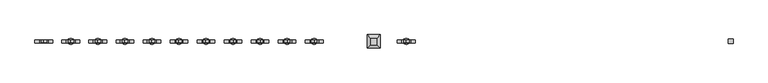
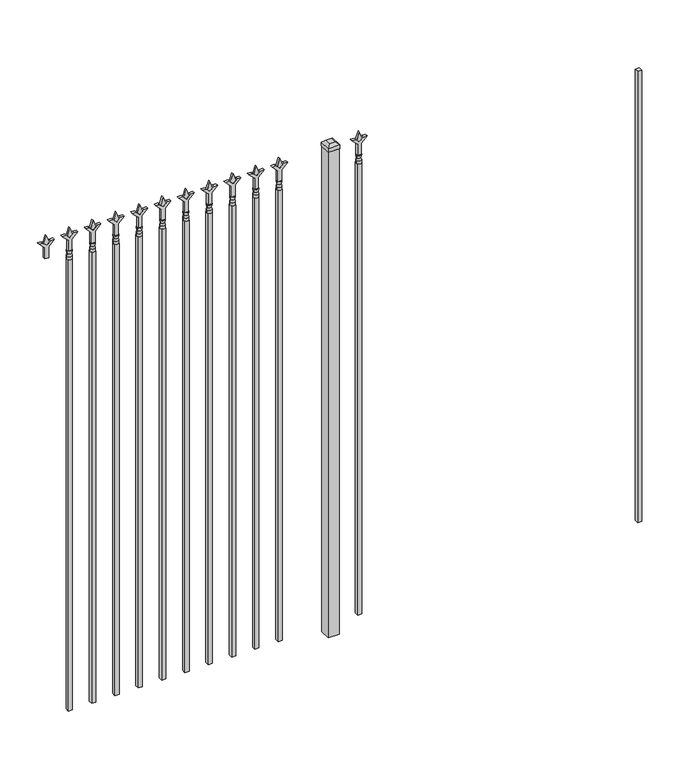
"""IFC4 building model written with IfcOpenShell, lengths in millimetres: railing geometry."""

from ifc_helpers import new_model, si_unit, frame, origin, origin_with_axes, place, context, project, spatial, polyline, circle_curve, outline, extrude, faceted_brep, source, transform, mapped, element, save
from ifc_brep_helpers import plane_surface, cylinder_surface, revolved_surface, advanced_brep


def railing_63ddd0e5(model_context):
    return source(origin(), model_context, "Body", "SolidModel", [
        extrude(outline(polyline([(-52241.005587, 3031.8679826), (-52221.955587, 3031.8679826), (-52221.955587, 3012.8179826), (-52241.005587, 3012.8179826), (-52241.005587, 3031.8679826)])), frame((0.0, 0.0, 50.8), z_axis=(0.0, 0.0, 1.0), x_axis=(1.0, 0.0, 0.0)), (0.0, 0.0, 1.0), 2235.2),
        extrude(outline(polyline([(2402.68125, -53530.849337), (2438.4, -53542.755587), (2402.68125, -53554.661837), (2390.775, -53542.755587), (2402.68125, -53530.849337)])), frame((0.0, 3017.5804826, 0.0), z_axis=(0.0, 1.0, 0.0), x_axis=(0.0, 0.0, 1.0)), (0.0, 0.0, 1.0), 9.525),
        extrude(outline(polyline([(2327.275, -53534.024337), (2381.5457378, -53534.024337), (2408.7355122, -53506.8345625), (2408.7355122, -53524.7950747), (2390.775, -53542.755587), (2408.7355122, -53560.7160992), (2408.7355122, -53578.6766114), (2381.5457378, -53551.486837), (2327.275, -53551.486837), (2327.275, -53534.024337)])), frame((0.0, 3015.9929826, 0.0), z_axis=(0.0, 1.0, 0.0), x_axis=(0.0, 0.0, 1.0)), (0.0, 0.0, 1.0), 12.7),
        advanced_brep(
        [(-53530.849337, 3022.3429826, 2298.7), (-53554.661837, 3022.3429826, 2298.7), (-53554.661837, 3022.3429826, 2286.0), (-53530.849337, 3022.3429826, 2286.0), (-53533.0546688, 3022.3429826, 2311.2070585), (-53552.4565051, 3022.3429826, 2311.2070585), (-53530.849337, 3022.3429826, 2327.275), (-53554.661837, 3022.3429826, 2327.275), (-53542.755587, 3022.3429826, 2327.275), (-53542.755587, 3022.3429826, 2286.0)],
        [
            (0, 1, circle_curve(frame((-53542.755587, 3022.3429826, 2298.7), z_axis=(0.0, 0.0, -1.0), x_axis=(-1.0, 0.0, 0.0)), 11.90625)),
            (1, 2),
            (2, 3, circle_curve(frame((-53542.755587, 3022.3429826, 2286.0), z_axis=(0.0, 0.0, 1.0), x_axis=(-1.0, 0.0, 0.0)), 11.90625)),
            (3, 0),
            (1, 0, circle_curve(frame((-53542.755587, 3022.3429826, 2298.7), z_axis=(0.0, 0.0, -1.0), x_axis=(-1.0, 0.0, 0.0)), 11.90625)),
            (3, 2, circle_curve(frame((-53542.755587, 3022.3429826, 2286.0), z_axis=(0.0, 0.0, 1.0), x_axis=(-1.0, 0.0, 0.0)), 11.90625)),
            (4, 5, circle_curve(frame((-53542.755587, 3022.3429826, 2311.2070585), z_axis=(0.0, 0.0, -1.0), x_axis=(-1.0, 0.0, 0.0)), 9.7009181)),
            (5, 1),
            (0, 4),
            (5, 4, circle_curve(frame((-53542.755587, 3022.3429826, 2311.2070585), z_axis=(0.0, 0.0, -1.0), x_axis=(-1.0, 0.0, 0.0)), 9.7009181)),
            (6, 7, circle_curve(frame((-53542.755587, 3022.3429826, 2327.275), z_axis=(0.0, 0.0, -1.0), x_axis=(-1.0, 0.0, 0.0)), 11.90625)),
            (7, 5),
            (4, 6),
            (7, 6, circle_curve(frame((-53542.755587, 3022.3429826, 2327.275), z_axis=(0.0, 0.0, -1.0), x_axis=(-1.0, 0.0, 0.0)), 11.90625)),
            (8, 7),
            (6, 8),
            (2, 9),
            (9, 3),
        ],
        [
            cylinder_surface(frame((-53542.755587, 3022.3429826, 2286.0), z_axis=(0.0, 0.0, 1.0), x_axis=(-1.0, 0.0, 0.0)), 11.90625),
            revolved_surface(polyline([(-53554.661837, 3022.3429826, 2298.7), (-53552.4565051, 3022.3429826, 2311.2070585)]), (-53542.755587, 3022.3429826, 2286.0), (0.0, 0.0, 1.0)),
            revolved_surface(polyline([(-53552.4565051, 3022.3429826, 2311.2070585), (-53554.661837, 3022.3429826, 2327.275)]), (-53542.755587, 3022.3429826, 2286.0), (0.0, 0.0, 1.0)),
            plane_surface(frame((-53542.755587, 3022.3429826, 2327.275), z_axis=(0.0, 0.0, 1.0), x_axis=(-1.0, 0.0, 0.0))),
            plane_surface(frame((-53542.755587, 3022.3429826, 2286.0), z_axis=(0.0, 0.0, -1.0), x_axis=(-1.0, 0.0, 0.0))),
        ],
        [
            (0, [[1, 2, 3, 4]]),
            (0, [[5, -4, 6, -2]]),
            (1, [[7, 8, -1, 9]]),
            (1, [[10, -9, -5, -8]]),
            (2, [[11, 12, -7, 13]]),
            (2, [[14, -13, -10, -12]]),
            (3, [[15, -11, 16]]),
            (3, [[-16, -14, -15]]),
            (4, [[-3, 17, 18]]),
            (4, [[-6, -18, -17]]),
        ],
    ),
        extrude(outline(polyline([(-53552.280587, 3031.8679826), (-53533.230587, 3031.8679826), (-53533.230587, 3012.8179826), (-53552.280587, 3012.8179826), (-53552.280587, 3031.8679826)])), frame((0.0, 0.0, 50.8), z_axis=(0.0, 0.0, 1.0), x_axis=(1.0, 0.0, 0.0)), (0.0, 0.0, 1.0), 2235.2),
        extrude(outline(polyline([(-53649.118087, 3047.7429826), (-53649.118087, 2996.9429826), (-53699.918087, 2996.9429826), (-53699.918087, 3047.7429826), (-53649.118087, 3047.7429826)])), origin_with_axes(), (0.0, 0.0, 1.0), 2406.65),
        faceted_brep([(-53701.505587, 3049.3304826, 2425.7), (-53701.505587, 3049.3304826, 2406.65), (-53701.505587, 2995.3554826, 2406.65), (-53701.505587, 2995.3554826, 2425.7), (-53688.805587, 3036.6304826, 2438.4), (-53688.805587, 3008.0554826, 2438.4), (-53647.530587, 2995.3554826, 2406.65), (-53647.530587, 2995.3554826, 2425.7), (-53660.230587, 3008.0554826, 2438.4), (-53647.530587, 3049.3304826, 2406.65), (-53647.530587, 3049.3304826, 2425.7), (-53660.230587, 3036.6304826, 2438.4)], [[[0, 1, 2, 3]], [[4, 0, 3, 5]], [[3, 2, 6, 7]], [[5, 3, 7, 8]], [[7, 6, 9, 10]], [[8, 7, 10, 11]], [[10, 9, 1, 0]], [[11, 10, 0, 4]], [[5, 8, 11, 4]], [[1, 9, 6, 2]]]),
        extrude(outline(polyline([(2402.68125, -53903.6472536), (2438.4, -53915.5535036), (2402.68125, -53927.4597536), (2390.775, -53915.5535036), (2402.68125, -53903.6472536)])), frame((0.0, 3017.5804826, 0.0), z_axis=(0.0, 1.0, 0.0), x_axis=(0.0, 0.0, 1.0)), (0.0, 0.0, 1.0), 9.525),
        extrude(outline(polyline([(2327.275, -53906.8222536), (2381.5457378, -53906.8222536), (2408.7355122, -53879.6324791), (2408.7355122, -53897.5929914), (2390.775, -53915.5535036), (2408.7355122, -53933.5140159), (2408.7355122, -53951.4745281), (2381.5457378, -53924.2847536), (2327.275, -53924.2847536), (2327.275, -53906.8222536)])), frame((0.0, 3015.9929826, 0.0), z_axis=(0.0, 1.0, 0.0), x_axis=(0.0, 0.0, 1.0)), (0.0, 0.0, 1.0), 12.7),
        advanced_brep(
        [(-53903.6472536, 3022.3429826, 2298.7), (-53927.4597536, 3022.3429826, 2298.7), (-53927.4597536, 3022.3429826, 2286.0), (-53903.6472536, 3022.3429826, 2286.0), (-53905.8525855, 3022.3429826, 2311.2070585), (-53925.2544218, 3022.3429826, 2311.2070585), (-53903.6472536, 3022.3429826, 2327.275), (-53927.4597536, 3022.3429826, 2327.275), (-53915.5535036, 3022.3429826, 2327.275), (-53915.5535036, 3022.3429826, 2286.0)],
        [
            (0, 1, circle_curve(frame((-53915.5535036, 3022.3429826, 2298.7), z_axis=(0.0, 0.0, -1.0), x_axis=(-1.0, 0.0, 0.0)), 11.90625)),
            (1, 2),
            (2, 3, circle_curve(frame((-53915.5535036, 3022.3429826, 2286.0), z_axis=(0.0, 0.0, 1.0), x_axis=(-1.0, 0.0, 0.0)), 11.90625)),
            (3, 0),
            (1, 0, circle_curve(frame((-53915.5535036, 3022.3429826, 2298.7), z_axis=(0.0, 0.0, -1.0), x_axis=(-1.0, 0.0, 0.0)), 11.90625)),
            (3, 2, circle_curve(frame((-53915.5535036, 3022.3429826, 2286.0), z_axis=(0.0, 0.0, 1.0), x_axis=(-1.0, 0.0, 0.0)), 11.90625)),
            (4, 5, circle_curve(frame((-53915.5535036, 3022.3429826, 2311.2070585), z_axis=(0.0, 0.0, -1.0), x_axis=(-1.0, 0.0, 0.0)), 9.7009181)),
            (5, 1),
            (0, 4),
            (5, 4, circle_curve(frame((-53915.5535036, 3022.3429826, 2311.2070585), z_axis=(0.0, 0.0, -1.0), x_axis=(-1.0, 0.0, 0.0)), 9.7009181)),
            (6, 7, circle_curve(frame((-53915.5535036, 3022.3429826, 2327.275), z_axis=(0.0, 0.0, -1.0), x_axis=(-1.0, 0.0, 0.0)), 11.90625)),
            (7, 5),
            (4, 6),
            (7, 6, circle_curve(frame((-53915.5535036, 3022.3429826, 2327.275), z_axis=(0.0, 0.0, -1.0), x_axis=(-1.0, 0.0, 0.0)), 11.90625)),
            (8, 7),
            (6, 8),
            (2, 9),
            (9, 3),
        ],
        [
            cylinder_surface(frame((-53915.5535036, 3022.3429826, 2286.0), z_axis=(0.0, 0.0, 1.0), x_axis=(-1.0, 0.0, 0.0)), 11.90625),
            revolved_surface(polyline([(-53927.4597536, 3022.3429826, 2298.7), (-53925.2544218, 3022.3429826, 2311.2070585)]), (-53915.5535036, 3022.3429826, 2286.0), (0.0, 0.0, 1.0)),
            revolved_surface(polyline([(-53925.2544218, 3022.3429826, 2311.2070585), (-53927.4597536, 3022.3429826, 2327.275)]), (-53915.5535036, 3022.3429826, 2286.0), (0.0, 0.0, 1.0)),
            plane_surface(frame((-53915.5535036, 3022.3429826, 2327.275), z_axis=(0.0, 0.0, 1.0), x_axis=(-1.0, 0.0, 0.0))),
            plane_surface(frame((-53915.5535036, 3022.3429826, 2286.0), z_axis=(0.0, 0.0, -1.0), x_axis=(-1.0, 0.0, 0.0))),
        ],
        [
            (0, [[1, 2, 3, 4]]),
            (0, [[5, -4, 6, -2]]),
            (1, [[7, 8, -1, 9]]),
            (1, [[10, -9, -5, -8]]),
            (2, [[11, 12, -7, 13]]),
            (2, [[14, -13, -10, -12]]),
            (3, [[15, -11, 16]]),
            (3, [[-16, -14, -15]]),
            (4, [[-3, 17, 18]]),
            (4, [[-6, -18, -17]]),
        ],
    ),
        extrude(outline(polyline([(-53925.0785036, 3031.8679826), (-53906.0285036, 3031.8679826), (-53906.0285036, 3012.8179826), (-53925.0785036, 3012.8179826), (-53925.0785036, 3031.8679826)])), frame((0.0, 0.0, 50.8), z_axis=(0.0, 0.0, 1.0), x_axis=(1.0, 0.0, 0.0)), (0.0, 0.0, 1.0), 2235.2),
        extrude(outline(polyline([(2402.68125, -54012.9201703), (2438.4, -54024.8264203), (2402.68125, -54036.7326703), (2390.775, -54024.8264203), (2402.68125, -54012.9201703)])), frame((0.0, 3017.5804826, 0.0), z_axis=(0.0, 1.0, 0.0), x_axis=(0.0, 0.0, 1.0)), (0.0, 0.0, 1.0), 9.525),
        extrude(outline(polyline([(2327.275, -54016.0951703), (2381.5457378, -54016.0951703), (2408.7355122, -53988.9053958), (2408.7355122, -54006.8659081), (2390.775, -54024.8264203), (2408.7355122, -54042.7869325), (2408.7355122, -54060.7474448), (2381.5457378, -54033.5576703), (2327.275, -54033.5576703), (2327.275, -54016.0951703)])), frame((0.0, 3015.9929826, 0.0), z_axis=(0.0, 1.0, 0.0), x_axis=(0.0, 0.0, 1.0)), (0.0, 0.0, 1.0), 12.7),
        advanced_brep(
        [(-54012.9201703, 3022.3429826, 2298.7), (-54036.7326703, 3022.3429826, 2298.7), (-54036.7326703, 3022.3429826, 2286.0), (-54012.9201703, 3022.3429826, 2286.0), (-54015.1255022, 3022.3429826, 2311.2070585), (-54034.5273384, 3022.3429826, 2311.2070585), (-54012.9201703, 3022.3429826, 2327.275), (-54036.7326703, 3022.3429826, 2327.275), (-54024.8264203, 3022.3429826, 2327.275), (-54024.8264203, 3022.3429826, 2286.0)],
        [
            (0, 1, circle_curve(frame((-54024.8264203, 3022.3429826, 2298.7), z_axis=(0.0, 0.0, -1.0), x_axis=(-1.0, 0.0, 0.0)), 11.90625)),
            (1, 2),
            (2, 3, circle_curve(frame((-54024.8264203, 3022.3429826, 2286.0), z_axis=(0.0, 0.0, 1.0), x_axis=(-1.0, 0.0, 0.0)), 11.90625)),
            (3, 0),
            (1, 0, circle_curve(frame((-54024.8264203, 3022.3429826, 2298.7), z_axis=(0.0, 0.0, -1.0), x_axis=(-1.0, 0.0, 0.0)), 11.90625)),
            (3, 2, circle_curve(frame((-54024.8264203, 3022.3429826, 2286.0), z_axis=(0.0, 0.0, 1.0), x_axis=(-1.0, 0.0, 0.0)), 11.90625)),
            (4, 5, circle_curve(frame((-54024.8264203, 3022.3429826, 2311.2070585), z_axis=(0.0, 0.0, -1.0), x_axis=(-1.0, 0.0, 0.0)), 9.7009181)),
            (5, 1),
            (0, 4),
            (5, 4, circle_curve(frame((-54024.8264203, 3022.3429826, 2311.2070585), z_axis=(0.0, 0.0, -1.0), x_axis=(-1.0, 0.0, 0.0)), 9.7009181)),
            (6, 7, circle_curve(frame((-54024.8264203, 3022.3429826, 2327.275), z_axis=(0.0, 0.0, -1.0), x_axis=(-1.0, 0.0, 0.0)), 11.90625)),
            (7, 5),
            (4, 6),
            (7, 6, circle_curve(frame((-54024.8264203, 3022.3429826, 2327.275), z_axis=(0.0, 0.0, -1.0), x_axis=(-1.0, 0.0, 0.0)), 11.90625)),
            (8, 7),
            (6, 8),
            (2, 9),
            (9, 3),
        ],
        [
            cylinder_surface(frame((-54024.8264203, 3022.3429826, 2286.0), z_axis=(0.0, 0.0, 1.0), x_axis=(-1.0, 0.0, 0.0)), 11.90625),
            revolved_surface(polyline([(-54036.7326703, 3022.3429826, 2298.7), (-54034.5273384, 3022.3429826, 2311.2070585)]), (-54024.8264203, 3022.3429826, 2286.0), (0.0, 0.0, 1.0)),
            revolved_surface(polyline([(-54034.5273384, 3022.3429826, 2311.2070585), (-54036.7326703, 3022.3429826, 2327.275)]), (-54024.8264203, 3022.3429826, 2286.0), (0.0, 0.0, 1.0)),
            plane_surface(frame((-54024.8264203, 3022.3429826, 2327.275), z_axis=(0.0, 0.0, 1.0), x_axis=(-1.0, 0.0, 0.0))),
            plane_surface(frame((-54024.8264203, 3022.3429826, 2286.0), z_axis=(0.0, 0.0, -1.0), x_axis=(-1.0, 0.0, 0.0))),
        ],
        [
            (0, [[1, 2, 3, 4]]),
            (0, [[5, -4, 6, -2]]),
            (1, [[7, 8, -1, 9]]),
            (1, [[10, -9, -5, -8]]),
            (2, [[11, 12, -7, 13]]),
            (2, [[14, -13, -10, -12]]),
            (3, [[15, -11, 16]]),
            (3, [[-16, -14, -15]]),
            (4, [[-3, 17, 18]]),
            (4, [[-6, -18, -17]]),
        ],
    ),
        extrude(outline(polyline([(-54034.3514203, 3031.8679826), (-54015.3014203, 3031.8679826), (-54015.3014203, 3012.8179826), (-54034.3514203, 3012.8179826), (-54034.3514203, 3031.8679826)])), frame((0.0, 0.0, 50.8), z_axis=(0.0, 0.0, 1.0), x_axis=(1.0, 0.0, 0.0)), (0.0, 0.0, 1.0), 2235.2),
        extrude(outline(polyline([(2402.68125, -54122.193087), (2438.4, -54134.099337), (2402.68125, -54146.005587), (2390.775, -54134.099337), (2402.68125, -54122.193087)])), frame((0.0, 3017.5804826, 0.0), z_axis=(0.0, 1.0, 0.0), x_axis=(0.0, 0.0, 1.0)), (0.0, 0.0, 1.0), 9.525),
        extrude(outline(polyline([(2327.275, -54125.368087), (2381.5457378, -54125.368087), (2408.7355122, -54098.1783125), (2408.7355122, -54116.1388247), (2390.775, -54134.099337), (2408.7355122, -54152.0598492), (2408.7355122, -54170.0203614), (2381.5457378, -54142.830587), (2327.275, -54142.830587), (2327.275, -54125.368087)])), frame((0.0, 3015.9929826, 0.0), z_axis=(0.0, 1.0, 0.0), x_axis=(0.0, 0.0, 1.0)), (0.0, 0.0, 1.0), 12.7),
        advanced_brep(
        [(-54122.193087, 3022.3429826, 2298.7), (-54146.005587, 3022.3429826, 2298.7), (-54146.005587, 3022.3429826, 2286.0), (-54122.193087, 3022.3429826, 2286.0), (-54124.3984188, 3022.3429826, 2311.2070585), (-54143.8002551, 3022.3429826, 2311.2070585), (-54122.193087, 3022.3429826, 2327.275), (-54146.005587, 3022.3429826, 2327.275), (-54134.099337, 3022.3429826, 2327.275), (-54134.099337, 3022.3429826, 2286.0)],
        [
            (0, 1, circle_curve(frame((-54134.099337, 3022.3429826, 2298.7), z_axis=(0.0, 0.0, -1.0), x_axis=(-1.0, 0.0, 0.0)), 11.90625)),
            (1, 2),
            (2, 3, circle_curve(frame((-54134.099337, 3022.3429826, 2286.0), z_axis=(0.0, 0.0, 1.0), x_axis=(-1.0, 0.0, 0.0)), 11.90625)),
            (3, 0),
            (1, 0, circle_curve(frame((-54134.099337, 3022.3429826, 2298.7), z_axis=(0.0, 0.0, -1.0), x_axis=(-1.0, 0.0, 0.0)), 11.90625)),
            (3, 2, circle_curve(frame((-54134.099337, 3022.3429826, 2286.0), z_axis=(0.0, 0.0, 1.0), x_axis=(-1.0, 0.0, 0.0)), 11.90625)),
            (4, 5, circle_curve(frame((-54134.099337, 3022.3429826, 2311.2070585), z_axis=(0.0, 0.0, -1.0), x_axis=(-1.0, 0.0, 0.0)), 9.7009181)),
            (5, 1),
            (0, 4),
            (5, 4, circle_curve(frame((-54134.099337, 3022.3429826, 2311.2070585), z_axis=(0.0, 0.0, -1.0), x_axis=(-1.0, 0.0, 0.0)), 9.7009181)),
            (6, 7, circle_curve(frame((-54134.099337, 3022.3429826, 2327.275), z_axis=(0.0, 0.0, -1.0), x_axis=(-1.0, 0.0, 0.0)), 11.90625)),
            (7, 5),
            (4, 6),
            (7, 6, circle_curve(frame((-54134.099337, 3022.3429826, 2327.275), z_axis=(0.0, 0.0, -1.0), x_axis=(-1.0, 0.0, 0.0)), 11.90625)),
            (8, 7),
            (6, 8),
            (2, 9),
            (9, 3),
        ],
        [
            cylinder_surface(frame((-54134.099337, 3022.3429826, 2286.0), z_axis=(0.0, 0.0, 1.0), x_axis=(-1.0, 0.0, 0.0)), 11.90625),
            revolved_surface(polyline([(-54146.005587, 3022.3429826, 2298.7), (-54143.8002551, 3022.3429826, 2311.2070585)]), (-54134.099337, 3022.3429826, 2286.0), (0.0, 0.0, 1.0)),
            revolved_surface(polyline([(-54143.8002551, 3022.3429826, 2311.2070585), (-54146.005587, 3022.3429826, 2327.275)]), (-54134.099337, 3022.3429826, 2286.0), (0.0, 0.0, 1.0)),
            plane_surface(frame((-54134.099337, 3022.3429826, 2327.275), z_axis=(0.0, 0.0, 1.0), x_axis=(-1.0, 0.0, 0.0))),
            plane_surface(frame((-54134.099337, 3022.3429826, 2286.0), z_axis=(0.0, 0.0, -1.0), x_axis=(-1.0, 0.0, 0.0))),
        ],
        [
            (0, [[1, 2, 3, 4]]),
            (0, [[5, -4, 6, -2]]),
            (1, [[7, 8, -1, 9]]),
            (1, [[10, -9, -5, -8]]),
            (2, [[11, 12, -7, 13]]),
            (2, [[14, -13, -10, -12]]),
            (3, [[15, -11, 16]]),
            (3, [[-16, -14, -15]]),
            (4, [[-3, 17, 18]]),
            (4, [[-6, -18, -17]]),
        ],
    ),
        extrude(outline(polyline([(-54143.624337, 3031.8679826), (-54124.574337, 3031.8679826), (-54124.574337, 3012.8179826), (-54143.624337, 3012.8179826), (-54143.624337, 3031.8679826)])), frame((0.0, 0.0, 50.8), z_axis=(0.0, 0.0, 1.0), x_axis=(1.0, 0.0, 0.0)), (0.0, 0.0, 1.0), 2235.2),
        extrude(outline(polyline([(2402.68125, -54231.4660036), (2438.4, -54243.3722536), (2402.68125, -54255.2785036), (2390.775, -54243.3722536), (2402.68125, -54231.4660036)])), frame((0.0, 3017.5804826, 0.0), z_axis=(0.0, 1.0, 0.0), x_axis=(0.0, 0.0, 1.0)), (0.0, 0.0, 1.0), 9.525),
        extrude(outline(polyline([(2327.275, -54234.6410036), (2381.5457378, -54234.6410036), (2408.7355122, -54207.4512291), (2408.7355122, -54225.4117414), (2390.775, -54243.3722536), (2408.7355122, -54261.3327659), (2408.7355122, -54279.2932781), (2381.5457378, -54252.1035036), (2327.275, -54252.1035036), (2327.275, -54234.6410036)])), frame((0.0, 3015.9929826, 0.0), z_axis=(0.0, 1.0, 0.0), x_axis=(0.0, 0.0, 1.0)), (0.0, 0.0, 1.0), 12.7),
        advanced_brep(
        [(-54231.4660036, 3022.3429826, 2298.7), (-54255.2785036, 3022.3429826, 2298.7), (-54255.2785036, 3022.3429826, 2286.0), (-54231.4660036, 3022.3429826, 2286.0), (-54233.6713355, 3022.3429826, 2311.2070585), (-54253.0731718, 3022.3429826, 2311.2070585), (-54231.4660036, 3022.3429826, 2327.275), (-54255.2785036, 3022.3429826, 2327.275), (-54243.3722536, 3022.3429826, 2327.275), (-54243.3722536, 3022.3429826, 2286.0)],
        [
            (0, 1, circle_curve(frame((-54243.3722536, 3022.3429826, 2298.7), z_axis=(0.0, 0.0, -1.0), x_axis=(-1.0, 0.0, 0.0)), 11.90625)),
            (1, 2),
            (2, 3, circle_curve(frame((-54243.3722536, 3022.3429826, 2286.0), z_axis=(0.0, 0.0, 1.0), x_axis=(-1.0, 0.0, 0.0)), 11.90625)),
            (3, 0),
            (1, 0, circle_curve(frame((-54243.3722536, 3022.3429826, 2298.7), z_axis=(0.0, 0.0, -1.0), x_axis=(-1.0, 0.0, 0.0)), 11.90625)),
            (3, 2, circle_curve(frame((-54243.3722536, 3022.3429826, 2286.0), z_axis=(0.0, 0.0, 1.0), x_axis=(-1.0, 0.0, 0.0)), 11.90625)),
            (4, 5, circle_curve(frame((-54243.3722536, 3022.3429826, 2311.2070585), z_axis=(0.0, 0.0, -1.0), x_axis=(-1.0, 0.0, 0.0)), 9.7009181)),
            (5, 1),
            (0, 4),
            (5, 4, circle_curve(frame((-54243.3722536, 3022.3429826, 2311.2070585), z_axis=(0.0, 0.0, -1.0), x_axis=(-1.0, 0.0, 0.0)), 9.7009181)),
            (6, 7, circle_curve(frame((-54243.3722536, 3022.3429826, 2327.275), z_axis=(0.0, 0.0, -1.0), x_axis=(-1.0, 0.0, 0.0)), 11.90625)),
            (7, 5),
            (4, 6),
            (7, 6, circle_curve(frame((-54243.3722536, 3022.3429826, 2327.275), z_axis=(0.0, 0.0, -1.0), x_axis=(-1.0, 0.0, 0.0)), 11.90625)),
            (8, 7),
            (6, 8),
            (2, 9),
            (9, 3),
        ],
        [
            cylinder_surface(frame((-54243.3722536, 3022.3429826, 2286.0), z_axis=(0.0, 0.0, 1.0), x_axis=(-1.0, 0.0, 0.0)), 11.90625),
            revolved_surface(polyline([(-54255.2785036, 3022.3429826, 2298.7), (-54253.0731718, 3022.3429826, 2311.2070585)]), (-54243.3722536, 3022.3429826, 2286.0), (0.0, 0.0, 1.0)),
            revolved_surface(polyline([(-54253.0731718, 3022.3429826, 2311.2070585), (-54255.2785036, 3022.3429826, 2327.275)]), (-54243.3722536, 3022.3429826, 2286.0), (0.0, 0.0, 1.0)),
            plane_surface(frame((-54243.3722536, 3022.3429826, 2327.275), z_axis=(0.0, 0.0, 1.0), x_axis=(-1.0, 0.0, 0.0))),
            plane_surface(frame((-54243.3722536, 3022.3429826, 2286.0), z_axis=(0.0, 0.0, -1.0), x_axis=(-1.0, 0.0, 0.0))),
        ],
        [
            (0, [[1, 2, 3, 4]]),
            (0, [[5, -4, 6, -2]]),
            (1, [[7, 8, -1, 9]]),
            (1, [[10, -9, -5, -8]]),
            (2, [[11, 12, -7, 13]]),
            (2, [[14, -13, -10, -12]]),
            (3, [[15, -11, 16]]),
            (3, [[-16, -14, -15]]),
            (4, [[-3, 17, 18]]),
            (4, [[-6, -18, -17]]),
        ],
    ),
        extrude(outline(polyline([(-54252.8972536, 3031.8679826), (-54233.8472536, 3031.8679826), (-54233.8472536, 3012.8179826), (-54252.8972536, 3012.8179826), (-54252.8972536, 3031.8679826)])), frame((0.0, 0.0, 50.8), z_axis=(0.0, 0.0, 1.0), x_axis=(1.0, 0.0, 0.0)), (0.0, 0.0, 1.0), 2235.2),
        extrude(outline(polyline([(2402.68125, -54340.7389203), (2438.4, -54352.6451703), (2402.68125, -54364.5514203), (2390.775, -54352.6451703), (2402.68125, -54340.7389203)])), frame((0.0, 3017.5804826, 0.0), z_axis=(0.0, 1.0, 0.0), x_axis=(0.0, 0.0, 1.0)), (0.0, 0.0, 1.0), 9.525),
        extrude(outline(polyline([(2327.275, -54343.9139203), (2381.5457378, -54343.9139203), (2408.7355122, -54316.7241458), (2408.7355122, -54334.6846581), (2390.775, -54352.6451703), (2408.7355122, -54370.6056825), (2408.7355122, -54388.5661948), (2381.5457378, -54361.3764203), (2327.275, -54361.3764203), (2327.275, -54343.9139203)])), frame((0.0, 3015.9929826, 0.0), z_axis=(0.0, 1.0, 0.0), x_axis=(0.0, 0.0, 1.0)), (0.0, 0.0, 1.0), 12.7),
        advanced_brep(
        [(-54340.7389203, 3022.3429826, 2298.7), (-54364.5514203, 3022.3429826, 2298.7), (-54364.5514203, 3022.3429826, 2286.0), (-54340.7389203, 3022.3429826, 2286.0), (-54342.9442522, 3022.3429826, 2311.2070585), (-54362.3460884, 3022.3429826, 2311.2070585), (-54340.7389203, 3022.3429826, 2327.275), (-54364.5514203, 3022.3429826, 2327.275), (-54352.6451703, 3022.3429826, 2327.275), (-54352.6451703, 3022.3429826, 2286.0)],
        [
            (0, 1, circle_curve(frame((-54352.6451703, 3022.3429826, 2298.7), z_axis=(0.0, 0.0, -1.0), x_axis=(-1.0, 0.0, 0.0)), 11.90625)),
            (1, 2),
            (2, 3, circle_curve(frame((-54352.6451703, 3022.3429826, 2286.0), z_axis=(0.0, 0.0, 1.0), x_axis=(-1.0, 0.0, 0.0)), 11.90625)),
            (3, 0),
            (1, 0, circle_curve(frame((-54352.6451703, 3022.3429826, 2298.7), z_axis=(0.0, 0.0, -1.0), x_axis=(-1.0, 0.0, 0.0)), 11.90625)),
            (3, 2, circle_curve(frame((-54352.6451703, 3022.3429826, 2286.0), z_axis=(0.0, 0.0, 1.0), x_axis=(-1.0, 0.0, 0.0)), 11.90625)),
            (4, 5, circle_curve(frame((-54352.6451703, 3022.3429826, 2311.2070585), z_axis=(0.0, 0.0, -1.0), x_axis=(-1.0, 0.0, 0.0)), 9.7009181)),
            (5, 1),
            (0, 4),
            (5, 4, circle_curve(frame((-54352.6451703, 3022.3429826, 2311.2070585), z_axis=(0.0, 0.0, -1.0), x_axis=(-1.0, 0.0, 0.0)), 9.7009181)),
            (6, 7, circle_curve(frame((-54352.6451703, 3022.3429826, 2327.275), z_axis=(0.0, 0.0, -1.0), x_axis=(-1.0, 0.0, 0.0)), 11.90625)),
            (7, 5),
            (4, 6),
            (7, 6, circle_curve(frame((-54352.6451703, 3022.3429826, 2327.275), z_axis=(0.0, 0.0, -1.0), x_axis=(-1.0, 0.0, 0.0)), 11.90625)),
            (8, 7),
            (6, 8),
            (2, 9),
            (9, 3),
        ],
        [
            cylinder_surface(frame((-54352.6451703, 3022.3429826, 2286.0), z_axis=(0.0, 0.0, 1.0), x_axis=(-1.0, 0.0, 0.0)), 11.90625),
            revolved_surface(polyline([(-54364.5514203, 3022.3429826, 2298.7), (-54362.3460884, 3022.3429826, 2311.2070585)]), (-54352.6451703, 3022.3429826, 2286.0), (0.0, 0.0, 1.0)),
            revolved_surface(polyline([(-54362.3460884, 3022.3429826, 2311.2070585), (-54364.5514203, 3022.3429826, 2327.275)]), (-54352.6451703, 3022.3429826, 2286.0), (0.0, 0.0, 1.0)),
            plane_surface(frame((-54352.6451703, 3022.3429826, 2327.275), z_axis=(0.0, 0.0, 1.0), x_axis=(-1.0, 0.0, 0.0))),
            plane_surface(frame((-54352.6451703, 3022.3429826, 2286.0), z_axis=(0.0, 0.0, -1.0), x_axis=(-1.0, 0.0, 0.0))),
        ],
        [
            (0, [[1, 2, 3, 4]]),
            (0, [[5, -4, 6, -2]]),
            (1, [[7, 8, -1, 9]]),
            (1, [[10, -9, -5, -8]]),
            (2, [[11, 12, -7, 13]]),
            (2, [[14, -13, -10, -12]]),
            (3, [[15, -11, 16]]),
            (3, [[-16, -14, -15]]),
            (4, [[-3, 17, 18]]),
            (4, [[-6, -18, -17]]),
        ],
    ),
        extrude(outline(polyline([(-54362.1701703, 3031.8679826), (-54343.1201703, 3031.8679826), (-54343.1201703, 3012.8179826), (-54362.1701703, 3012.8179826), (-54362.1701703, 3031.8679826)])), frame((0.0, 0.0, 50.8), z_axis=(0.0, 0.0, 1.0), x_axis=(1.0, 0.0, 0.0)), (0.0, 0.0, 1.0), 2235.2),
        extrude(outline(polyline([(2402.68125, -54450.011837), (2438.4, -54461.918087), (2402.68125, -54473.824337), (2390.775, -54461.918087), (2402.68125, -54450.011837)])), frame((0.0, 3017.5804826, 0.0), z_axis=(0.0, 1.0, 0.0), x_axis=(0.0, 0.0, 1.0)), (0.0, 0.0, 1.0), 9.525),
        extrude(outline(polyline([(2327.275, -54453.186837), (2381.5457378, -54453.186837), (2408.7355122, -54425.9970625), (2408.7355122, -54443.9575747), (2390.775, -54461.918087), (2408.7355122, -54479.8785992), (2408.7355122, -54497.8391114), (2381.5457378, -54470.649337), (2327.275, -54470.649337), (2327.275, -54453.186837)])), frame((0.0, 3015.9929826, 0.0), z_axis=(0.0, 1.0, 0.0), x_axis=(0.0, 0.0, 1.0)), (0.0, 0.0, 1.0), 12.7),
        advanced_brep(
        [(-54450.011837, 3022.3429826, 2298.7), (-54473.824337, 3022.3429826, 2298.7), (-54473.824337, 3022.3429826, 2286.0), (-54450.011837, 3022.3429826, 2286.0), (-54452.2171688, 3022.3429826, 2311.2070585), (-54471.6190051, 3022.3429826, 2311.2070585), (-54450.011837, 3022.3429826, 2327.275), (-54473.824337, 3022.3429826, 2327.275), (-54461.918087, 3022.3429826, 2327.275), (-54461.918087, 3022.3429826, 2286.0)],
        [
            (0, 1, circle_curve(frame((-54461.918087, 3022.3429826, 2298.7), z_axis=(0.0, 0.0, -1.0), x_axis=(-1.0, 0.0, 0.0)), 11.90625)),
            (1, 2),
            (2, 3, circle_curve(frame((-54461.918087, 3022.3429826, 2286.0), z_axis=(0.0, 0.0, 1.0), x_axis=(-1.0, 0.0, 0.0)), 11.90625)),
            (3, 0),
            (1, 0, circle_curve(frame((-54461.918087, 3022.3429826, 2298.7), z_axis=(0.0, 0.0, -1.0), x_axis=(-1.0, 0.0, 0.0)), 11.90625)),
            (3, 2, circle_curve(frame((-54461.918087, 3022.3429826, 2286.0), z_axis=(0.0, 0.0, 1.0), x_axis=(-1.0, 0.0, 0.0)), 11.90625)),
            (4, 5, circle_curve(frame((-54461.918087, 3022.3429826, 2311.2070585), z_axis=(0.0, 0.0, -1.0), x_axis=(-1.0, 0.0, 0.0)), 9.7009181)),
            (5, 1),
            (0, 4),
            (5, 4, circle_curve(frame((-54461.918087, 3022.3429826, 2311.2070585), z_axis=(0.0, 0.0, -1.0), x_axis=(-1.0, 0.0, 0.0)), 9.7009181)),
            (6, 7, circle_curve(frame((-54461.918087, 3022.3429826, 2327.275), z_axis=(0.0, 0.0, -1.0), x_axis=(-1.0, 0.0, 0.0)), 11.90625)),
            (7, 5),
            (4, 6),
            (7, 6, circle_curve(frame((-54461.918087, 3022.3429826, 2327.275), z_axis=(0.0, 0.0, -1.0), x_axis=(-1.0, 0.0, 0.0)), 11.90625)),
            (8, 7),
            (6, 8),
            (2, 9),
            (9, 3),
        ],
        [
            cylinder_surface(frame((-54461.918087, 3022.3429826, 2286.0), z_axis=(0.0, 0.0, 1.0), x_axis=(-1.0, 0.0, 0.0)), 11.90625),
            revolved_surface(polyline([(-54473.824337, 3022.3429826, 2298.7), (-54471.6190051, 3022.3429826, 2311.2070585)]), (-54461.918087, 3022.3429826, 2286.0), (0.0, 0.0, 1.0)),
            revolved_surface(polyline([(-54471.6190051, 3022.3429826, 2311.2070585), (-54473.824337, 3022.3429826, 2327.275)]), (-54461.918087, 3022.3429826, 2286.0), (0.0, 0.0, 1.0)),
            plane_surface(frame((-54461.918087, 3022.3429826, 2327.275), z_axis=(0.0, 0.0, 1.0), x_axis=(-1.0, 0.0, 0.0))),
            plane_surface(frame((-54461.918087, 3022.3429826, 2286.0), z_axis=(0.0, 0.0, -1.0), x_axis=(-1.0, 0.0, 0.0))),
        ],
        [
            (0, [[1, 2, 3, 4]]),
            (0, [[5, -4, 6, -2]]),
            (1, [[7, 8, -1, 9]]),
            (1, [[10, -9, -5, -8]]),
            (2, [[11, 12, -7, 13]]),
            (2, [[14, -13, -10, -12]]),
            (3, [[15, -11, 16]]),
            (3, [[-16, -14, -15]]),
            (4, [[-3, 17, 18]]),
            (4, [[-6, -18, -17]]),
        ],
    ),
        extrude(outline(polyline([(-54471.443087, 3031.8679826), (-54452.393087, 3031.8679826), (-54452.393087, 3012.8179826), (-54471.443087, 3012.8179826), (-54471.443087, 3031.8679826)])), frame((0.0, 0.0, 50.8), z_axis=(0.0, 0.0, 1.0), x_axis=(1.0, 0.0, 0.0)), (0.0, 0.0, 1.0), 2235.2),
        extrude(outline(polyline([(2402.68125, -54559.2847536), (2438.4, -54571.1910036), (2402.68125, -54583.0972536), (2390.775, -54571.1910036), (2402.68125, -54559.2847536)])), frame((0.0, 3017.5804826, 0.0), z_axis=(0.0, 1.0, 0.0), x_axis=(0.0, 0.0, 1.0)), (0.0, 0.0, 1.0), 9.525),
        extrude(outline(polyline([(2327.275, -54562.4597536), (2381.5457378, -54562.4597536), (2408.7355122, -54535.2699791), (2408.7355122, -54553.2304914), (2390.775, -54571.1910036), (2408.7355122, -54589.1515159), (2408.7355122, -54607.1120281), (2381.5457378, -54579.9222536), (2327.275, -54579.9222536), (2327.275, -54562.4597536)])), frame((0.0, 3015.9929826, 0.0), z_axis=(0.0, 1.0, 0.0), x_axis=(0.0, 0.0, 1.0)), (0.0, 0.0, 1.0), 12.7),
        advanced_brep(
        [(-54559.2847536, 3022.3429826, 2298.7), (-54583.0972536, 3022.3429826, 2298.7), (-54583.0972536, 3022.3429826, 2286.0), (-54559.2847536, 3022.3429826, 2286.0), (-54561.4900855, 3022.3429826, 2311.2070585), (-54580.8919218, 3022.3429826, 2311.2070585), (-54559.2847536, 3022.3429826, 2327.275), (-54583.0972536, 3022.3429826, 2327.275), (-54571.1910036, 3022.3429826, 2327.275), (-54571.1910036, 3022.3429826, 2286.0)],
        [
            (0, 1, circle_curve(frame((-54571.1910036, 3022.3429826, 2298.7), z_axis=(0.0, 0.0, -1.0), x_axis=(-1.0, 0.0, 0.0)), 11.90625)),
            (1, 2),
            (2, 3, circle_curve(frame((-54571.1910036, 3022.3429826, 2286.0), z_axis=(0.0, 0.0, 1.0), x_axis=(-1.0, 0.0, 0.0)), 11.90625)),
            (3, 0),
            (1, 0, circle_curve(frame((-54571.1910036, 3022.3429826, 2298.7), z_axis=(0.0, 0.0, -1.0), x_axis=(-1.0, 0.0, 0.0)), 11.90625)),
            (3, 2, circle_curve(frame((-54571.1910036, 3022.3429826, 2286.0), z_axis=(0.0, 0.0, 1.0), x_axis=(-1.0, 0.0, 0.0)), 11.90625)),
            (4, 5, circle_curve(frame((-54571.1910036, 3022.3429826, 2311.2070585), z_axis=(0.0, 0.0, -1.0), x_axis=(-1.0, 0.0, 0.0)), 9.7009181)),
            (5, 1),
            (0, 4),
            (5, 4, circle_curve(frame((-54571.1910036, 3022.3429826, 2311.2070585), z_axis=(0.0, 0.0, -1.0), x_axis=(-1.0, 0.0, 0.0)), 9.7009181)),
            (6, 7, circle_curve(frame((-54571.1910036, 3022.3429826, 2327.275), z_axis=(0.0, 0.0, -1.0), x_axis=(-1.0, 0.0, 0.0)), 11.90625)),
            (7, 5),
            (4, 6),
            (7, 6, circle_curve(frame((-54571.1910036, 3022.3429826, 2327.275), z_axis=(0.0, 0.0, -1.0), x_axis=(-1.0, 0.0, 0.0)), 11.90625)),
            (8, 7),
            (6, 8),
            (2, 9),
            (9, 3),
        ],
        [
            cylinder_surface(frame((-54571.1910036, 3022.3429826, 2286.0), z_axis=(0.0, 0.0, 1.0), x_axis=(-1.0, 0.0, 0.0)), 11.90625),
            revolved_surface(polyline([(-54583.0972536, 3022.3429826, 2298.7), (-54580.8919218, 3022.3429826, 2311.2070585)]), (-54571.1910036, 3022.3429826, 2286.0), (0.0, 0.0, 1.0)),
            revolved_surface(polyline([(-54580.8919218, 3022.3429826, 2311.2070585), (-54583.0972536, 3022.3429826, 2327.275)]), (-54571.1910036, 3022.3429826, 2286.0), (0.0, 0.0, 1.0)),
            plane_surface(frame((-54571.1910036, 3022.3429826, 2327.275), z_axis=(0.0, 0.0, 1.0), x_axis=(-1.0, 0.0, 0.0))),
            plane_surface(frame((-54571.1910036, 3022.3429826, 2286.0), z_axis=(0.0, 0.0, -1.0), x_axis=(-1.0, 0.0, 0.0))),
        ],
        [
            (0, [[1, 2, 3, 4]]),
            (0, [[5, -4, 6, -2]]),
            (1, [[7, 8, -1, 9]]),
            (1, [[10, -9, -5, -8]]),
            (2, [[11, 12, -7, 13]]),
            (2, [[14, -13, -10, -12]]),
            (3, [[15, -11, 16]]),
            (3, [[-16, -14, -15]]),
            (4, [[-3, 17, 18]]),
            (4, [[-6, -18, -17]]),
        ],
    ),
        extrude(outline(polyline([(-54580.7160036, 3031.8679826), (-54561.6660036, 3031.8679826), (-54561.6660036, 3012.8179826), (-54580.7160036, 3012.8179826), (-54580.7160036, 3031.8679826)])), frame((0.0, 0.0, 50.8), z_axis=(0.0, 0.0, 1.0), x_axis=(1.0, 0.0, 0.0)), (0.0, 0.0, 1.0), 2235.2),
        extrude(outline(polyline([(2402.68125, -54668.5576703), (2438.4, -54680.4639203), (2402.68125, -54692.3701703), (2390.775, -54680.4639203), (2402.68125, -54668.5576703)])), frame((0.0, 3017.5804826, 0.0), z_axis=(0.0, 1.0, 0.0), x_axis=(0.0, 0.0, 1.0)), (0.0, 0.0, 1.0), 9.525),
        extrude(outline(polyline([(2327.275, -54671.7326703), (2381.5457378, -54671.7326703), (2408.7355122, -54644.5428958), (2408.7355122, -54662.5034081), (2390.775, -54680.4639203), (2408.7355122, -54698.4244325), (2408.7355122, -54716.3849448), (2381.5457378, -54689.1951703), (2327.275, -54689.1951703), (2327.275, -54671.7326703)])), frame((0.0, 3015.9929826, 0.0), z_axis=(0.0, 1.0, 0.0), x_axis=(0.0, 0.0, 1.0)), (0.0, 0.0, 1.0), 12.7),
        advanced_brep(
        [(-54668.5576703, 3022.3429826, 2298.7), (-54692.3701703, 3022.3429826, 2298.7), (-54692.3701703, 3022.3429826, 2286.0), (-54668.5576703, 3022.3429826, 2286.0), (-54670.7630022, 3022.3429826, 2311.2070585), (-54690.1648384, 3022.3429826, 2311.2070585), (-54668.5576703, 3022.3429826, 2327.275), (-54692.3701703, 3022.3429826, 2327.275), (-54680.4639203, 3022.3429826, 2327.275), (-54680.4639203, 3022.3429826, 2286.0)],
        [
            (0, 1, circle_curve(frame((-54680.4639203, 3022.3429826, 2298.7), z_axis=(0.0, 0.0, -1.0), x_axis=(-1.0, 0.0, 0.0)), 11.90625)),
            (1, 2),
            (2, 3, circle_curve(frame((-54680.4639203, 3022.3429826, 2286.0), z_axis=(0.0, 0.0, 1.0), x_axis=(-1.0, 0.0, 0.0)), 11.90625)),
            (3, 0),
            (1, 0, circle_curve(frame((-54680.4639203, 3022.3429826, 2298.7), z_axis=(0.0, 0.0, -1.0), x_axis=(-1.0, 0.0, 0.0)), 11.90625)),
            (3, 2, circle_curve(frame((-54680.4639203, 3022.3429826, 2286.0), z_axis=(0.0, 0.0, 1.0), x_axis=(-1.0, 0.0, 0.0)), 11.90625)),
            (4, 5, circle_curve(frame((-54680.4639203, 3022.3429826, 2311.2070585), z_axis=(0.0, 0.0, -1.0), x_axis=(-1.0, 0.0, 0.0)), 9.7009181)),
            (5, 1),
            (0, 4),
            (5, 4, circle_curve(frame((-54680.4639203, 3022.3429826, 2311.2070585), z_axis=(0.0, 0.0, -1.0), x_axis=(-1.0, 0.0, 0.0)), 9.7009181)),
            (6, 7, circle_curve(frame((-54680.4639203, 3022.3429826, 2327.275), z_axis=(0.0, 0.0, -1.0), x_axis=(-1.0, 0.0, 0.0)), 11.90625)),
            (7, 5),
            (4, 6),
            (7, 6, circle_curve(frame((-54680.4639203, 3022.3429826, 2327.275), z_axis=(0.0, 0.0, -1.0), x_axis=(-1.0, 0.0, 0.0)), 11.90625)),
            (8, 7),
            (6, 8),
            (2, 9),
            (9, 3),
        ],
        [
            cylinder_surface(frame((-54680.4639203, 3022.3429826, 2286.0), z_axis=(0.0, 0.0, 1.0), x_axis=(-1.0, 0.0, 0.0)), 11.90625),
            revolved_surface(polyline([(-54692.3701703, 3022.3429826, 2298.7), (-54690.1648384, 3022.3429826, 2311.2070585)]), (-54680.4639203, 3022.3429826, 2286.0), (0.0, 0.0, 1.0)),
            revolved_surface(polyline([(-54690.1648384, 3022.3429826, 2311.2070585), (-54692.3701703, 3022.3429826, 2327.275)]), (-54680.4639203, 3022.3429826, 2286.0), (0.0, 0.0, 1.0)),
            plane_surface(frame((-54680.4639203, 3022.3429826, 2327.275), z_axis=(0.0, 0.0, 1.0), x_axis=(-1.0, 0.0, 0.0))),
            plane_surface(frame((-54680.4639203, 3022.3429826, 2286.0), z_axis=(0.0, 0.0, -1.0), x_axis=(-1.0, 0.0, 0.0))),
        ],
        [
            (0, [[1, 2, 3, 4]]),
            (0, [[5, -4, 6, -2]]),
            (1, [[7, 8, -1, 9]]),
            (1, [[10, -9, -5, -8]]),
            (2, [[11, 12, -7, 13]]),
            (2, [[14, -13, -10, -12]]),
            (3, [[15, -11, 16]]),
            (3, [[-16, -14, -15]]),
            (4, [[-3, 17, 18]]),
            (4, [[-6, -18, -17]]),
        ],
    ),
        extrude(outline(polyline([(-54689.9889203, 3031.8679826), (-54670.9389203, 3031.8679826), (-54670.9389203, 3012.8179826), (-54689.9889203, 3012.8179826), (-54689.9889203, 3031.8679826)])), frame((0.0, 0.0, 50.8), z_axis=(0.0, 0.0, 1.0), x_axis=(1.0, 0.0, 0.0)), (0.0, 0.0, 1.0), 2235.2),
        extrude(outline(polyline([(2402.68125, -54777.830587), (2438.4, -54789.736837), (2402.68125, -54801.643087), (2390.775, -54789.736837), (2402.68125, -54777.830587)])), frame((0.0, 3017.5804826, 0.0), z_axis=(0.0, 1.0, 0.0), x_axis=(0.0, 0.0, 1.0)), (0.0, 0.0, 1.0), 9.525),
        extrude(outline(polyline([(2327.275, -54781.005587), (2381.5457378, -54781.005587), (2408.7355122, -54753.8158125), (2408.7355122, -54771.7763247), (2390.775, -54789.736837), (2408.7355122, -54807.6973492), (2408.7355122, -54825.6578614), (2381.5457378, -54798.468087), (2327.275, -54798.468087), (2327.275, -54781.005587)])), frame((0.0, 3015.9929826, 0.0), z_axis=(0.0, 1.0, 0.0), x_axis=(0.0, 0.0, 1.0)), (0.0, 0.0, 1.0), 12.7),
        advanced_brep(
        [(-54777.830587, 3022.3429826, 2298.7), (-54801.643087, 3022.3429826, 2298.7), (-54801.643087, 3022.3429826, 2286.0), (-54777.830587, 3022.3429826, 2286.0), (-54780.0359188, 3022.3429826, 2311.2070585), (-54799.4377551, 3022.3429826, 2311.2070585), (-54777.830587, 3022.3429826, 2327.275), (-54801.643087, 3022.3429826, 2327.275), (-54789.736837, 3022.3429826, 2327.275), (-54789.736837, 3022.3429826, 2286.0)],
        [
            (0, 1, circle_curve(frame((-54789.736837, 3022.3429826, 2298.7), z_axis=(0.0, 0.0, -1.0), x_axis=(-1.0, 0.0, 0.0)), 11.90625)),
            (1, 2),
            (2, 3, circle_curve(frame((-54789.736837, 3022.3429826, 2286.0), z_axis=(0.0, 0.0, 1.0), x_axis=(-1.0, 0.0, 0.0)), 11.90625)),
            (3, 0),
            (1, 0, circle_curve(frame((-54789.736837, 3022.3429826, 2298.7), z_axis=(0.0, 0.0, -1.0), x_axis=(-1.0, 0.0, 0.0)), 11.90625)),
            (3, 2, circle_curve(frame((-54789.736837, 3022.3429826, 2286.0), z_axis=(0.0, 0.0, 1.0), x_axis=(-1.0, 0.0, 0.0)), 11.90625)),
            (4, 5, circle_curve(frame((-54789.736837, 3022.3429826, 2311.2070585), z_axis=(0.0, 0.0, -1.0), x_axis=(-1.0, 0.0, 0.0)), 9.7009181)),
            (5, 1),
            (0, 4),
            (5, 4, circle_curve(frame((-54789.736837, 3022.3429826, 2311.2070585), z_axis=(0.0, 0.0, -1.0), x_axis=(-1.0, 0.0, 0.0)), 9.7009181)),
            (6, 7, circle_curve(frame((-54789.736837, 3022.3429826, 2327.275), z_axis=(0.0, 0.0, -1.0), x_axis=(-1.0, 0.0, 0.0)), 11.90625)),
            (7, 5),
            (4, 6),
            (7, 6, circle_curve(frame((-54789.736837, 3022.3429826, 2327.275), z_axis=(0.0, 0.0, -1.0), x_axis=(-1.0, 0.0, 0.0)), 11.90625)),
            (8, 7),
            (6, 8),
            (2, 9),
            (9, 3),
        ],
        [
            cylinder_surface(frame((-54789.736837, 3022.3429826, 2286.0), z_axis=(0.0, 0.0, 1.0), x_axis=(-1.0, 0.0, 0.0)), 11.90625),
            revolved_surface(polyline([(-54801.643087, 3022.3429826, 2298.7), (-54799.4377551, 3022.3429826, 2311.2070585)]), (-54789.736837, 3022.3429826, 2286.0), (0.0, 0.0, 1.0)),
            revolved_surface(polyline([(-54799.4377551, 3022.3429826, 2311.2070585), (-54801.643087, 3022.3429826, 2327.275)]), (-54789.736837, 3022.3429826, 2286.0), (0.0, 0.0, 1.0)),
            plane_surface(frame((-54789.736837, 3022.3429826, 2327.275), z_axis=(0.0, 0.0, 1.0), x_axis=(-1.0, 0.0, 0.0))),
            plane_surface(frame((-54789.736837, 3022.3429826, 2286.0), z_axis=(0.0, 0.0, -1.0), x_axis=(-1.0, 0.0, 0.0))),
        ],
        [
            (0, [[1, 2, 3, 4]]),
            (0, [[5, -4, 6, -2]]),
            (1, [[7, 8, -1, 9]]),
            (1, [[10, -9, -5, -8]]),
            (2, [[11, 12, -7, 13]]),
            (2, [[14, -13, -10, -12]]),
            (3, [[15, -11, 16]]),
            (3, [[-16, -14, -15]]),
            (4, [[-3, 17, 18]]),
            (4, [[-6, -18, -17]]),
        ],
    ),
        extrude(outline(polyline([(-54799.261837, 3031.8679826), (-54780.211837, 3031.8679826), (-54780.211837, 3012.8179826), (-54799.261837, 3012.8179826), (-54799.261837, 3031.8679826)])), frame((0.0, 0.0, 50.8), z_axis=(0.0, 0.0, 1.0), x_axis=(1.0, 0.0, 0.0)), (0.0, 0.0, 1.0), 2235.2),
        extrude(outline(polyline([(2402.68125, -54887.1035036), (2438.4, -54899.0097536), (2402.68125, -54910.9160036), (2390.775, -54899.0097536), (2402.68125, -54887.1035036)])), frame((0.0, 3017.5804826, 0.0), z_axis=(0.0, 1.0, 0.0), x_axis=(0.0, 0.0, 1.0)), (0.0, 0.0, 1.0), 9.525),
        extrude(outline(polyline([(2327.275, -54890.2785036), (2381.5457378, -54890.2785036), (2408.7355122, -54863.0887291), (2408.7355122, -54881.0492414), (2390.775, -54899.0097536), (2408.7355122, -54916.9702659), (2408.7355122, -54934.9307781), (2381.5457378, -54907.7410036), (2327.275, -54907.7410036), (2327.275, -54890.2785036)])), frame((0.0, 3015.9929826, 0.0), z_axis=(0.0, 1.0, 0.0), x_axis=(0.0, 0.0, 1.0)), (0.0, 0.0, 1.0), 12.7),
        advanced_brep(
        [(-54887.1035036, 3022.3429826, 2298.7), (-54910.9160036, 3022.3429826, 2298.7), (-54910.9160036, 3022.3429826, 2286.0), (-54887.1035036, 3022.3429826, 2286.0), (-54889.3088355, 3022.3429826, 2311.2070585), (-54908.7106718, 3022.3429826, 2311.2070585), (-54887.1035036, 3022.3429826, 2327.275), (-54910.9160036, 3022.3429826, 2327.275), (-54899.0097536, 3022.3429826, 2327.275), (-54899.0097536, 3022.3429826, 2286.0)],
        [
            (0, 1, circle_curve(frame((-54899.0097536, 3022.3429826, 2298.7), z_axis=(0.0, 0.0, -1.0), x_axis=(-1.0, 0.0, 0.0)), 11.90625)),
            (1, 2),
            (2, 3, circle_curve(frame((-54899.0097536, 3022.3429826, 2286.0), z_axis=(0.0, 0.0, 1.0), x_axis=(-1.0, 0.0, 0.0)), 11.90625)),
            (3, 0),
            (1, 0, circle_curve(frame((-54899.0097536, 3022.3429826, 2298.7), z_axis=(0.0, 0.0, -1.0), x_axis=(-1.0, 0.0, 0.0)), 11.90625)),
            (3, 2, circle_curve(frame((-54899.0097536, 3022.3429826, 2286.0), z_axis=(0.0, 0.0, 1.0), x_axis=(-1.0, 0.0, 0.0)), 11.90625)),
            (4, 5, circle_curve(frame((-54899.0097536, 3022.3429826, 2311.2070585), z_axis=(0.0, 0.0, -1.0), x_axis=(-1.0, 0.0, 0.0)), 9.7009181)),
            (5, 1),
            (0, 4),
            (5, 4, circle_curve(frame((-54899.0097536, 3022.3429826, 2311.2070585), z_axis=(0.0, 0.0, -1.0), x_axis=(-1.0, 0.0, 0.0)), 9.7009181)),
            (6, 7, circle_curve(frame((-54899.0097536, 3022.3429826, 2327.275), z_axis=(0.0, 0.0, -1.0), x_axis=(-1.0, 0.0, 0.0)), 11.90625)),
            (7, 5),
            (4, 6),
            (7, 6, circle_curve(frame((-54899.0097536, 3022.3429826, 2327.275), z_axis=(0.0, 0.0, -1.0), x_axis=(-1.0, 0.0, 0.0)), 11.90625)),
            (8, 7),
            (6, 8),
            (2, 9),
            (9, 3),
        ],
        [
            cylinder_surface(frame((-54899.0097536, 3022.3429826, 2286.0), z_axis=(0.0, 0.0, 1.0), x_axis=(-1.0, 0.0, 0.0)), 11.90625),
            revolved_surface(polyline([(-54910.9160036, 3022.3429826, 2298.7), (-54908.7106718, 3022.3429826, 2311.2070585)]), (-54899.0097536, 3022.3429826, 2286.0), (0.0, 0.0, 1.0)),
            revolved_surface(polyline([(-54908.7106718, 3022.3429826, 2311.2070585), (-54910.9160036, 3022.3429826, 2327.275)]), (-54899.0097536, 3022.3429826, 2286.0), (0.0, 0.0, 1.0)),
            plane_surface(frame((-54899.0097536, 3022.3429826, 2327.275), z_axis=(0.0, 0.0, 1.0), x_axis=(-1.0, 0.0, 0.0))),
            plane_surface(frame((-54899.0097536, 3022.3429826, 2286.0), z_axis=(0.0, 0.0, -1.0), x_axis=(-1.0, 0.0, 0.0))),
        ],
        [
            (0, [[1, 2, 3, 4]]),
            (0, [[5, -4, 6, -2]]),
            (1, [[7, 8, -1, 9]]),
            (1, [[10, -9, -5, -8]]),
            (2, [[11, 12, -7, 13]]),
            (2, [[14, -13, -10, -12]]),
            (3, [[15, -11, 16]]),
            (3, [[-16, -14, -15]]),
            (4, [[-3, 17, 18]]),
            (4, [[-6, -18, -17]]),
        ],
    ),
        extrude(outline(polyline([(-54908.5347536, 3031.8679826), (-54889.4847536, 3031.8679826), (-54889.4847536, 3012.8179826), (-54908.5347536, 3012.8179826), (-54908.5347536, 3031.8679826)])), frame((0.0, 0.0, 50.8), z_axis=(0.0, 0.0, 1.0), x_axis=(1.0, 0.0, 0.0)), (0.0, 0.0, 1.0), 2235.2),
        extrude(outline(polyline([(2402.68125, -54996.3764203), (2438.4, -55008.2826703), (2402.68125, -55020.1889203), (2390.775, -55008.2826703), (2402.68125, -54996.3764203)])), frame((0.0, 3017.5804826, 0.0), z_axis=(0.0, 1.0, 0.0), x_axis=(0.0, 0.0, 1.0)), (0.0, 0.0, 1.0), 9.525),
        extrude(outline(polyline([(2327.275, -54999.5514203), (2381.5457378, -54999.5514203), (2408.7355122, -54972.3616458), (2408.7355122, -54990.3221581), (2390.775, -55008.2826703), (2408.7355122, -55026.2431825), (2408.7355122, -55044.2036948), (2381.5457378, -55017.0139203), (2327.275, -55017.0139203), (2327.275, -54999.5514203)])), frame((0.0, 3015.9929826, 0.0), z_axis=(0.0, 1.0, 0.0), x_axis=(0.0, 0.0, 1.0)), (0.0, 0.0, 1.0), 12.7),
    ])


if __name__ == "__main__":
    model = new_model("IFC4")
    model_context = context("Model", 3, world=origin())
    ifc_project = project(units=[si_unit("LENGTHUNIT", "METRE", prefix="MILLI")], contexts=[model_context])
    site = spatial("IfcSite", under=ifc_project)
    building = spatial("IfcBuilding", under=site)
    placement = place(None, origin())
    railing_shape = railing_63ddd0e5(model_context)
    element("IfcRailing", 1, at=placement, inside=building, context=model_context, shape_type="MappedRepresentation", body=[
        mapped(railing_shape, transform((0.0, 0.0, 0.0), x_axis=(1.0, 0.0, 0.0), y_axis=(0.0, 1.0, 0.0), z_axis=(0.0, 0.0, 1.0))),
    ])
    save(model, "model.ifc")
